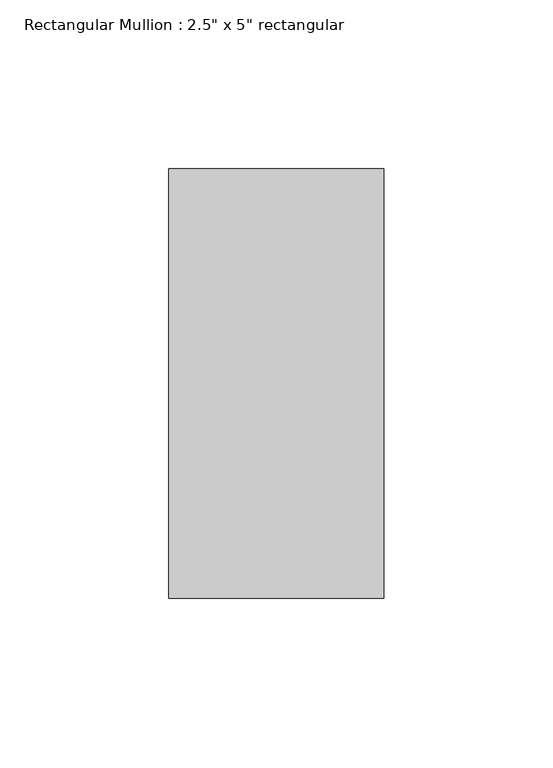
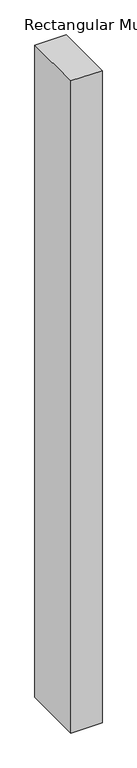
"""IFC4 building model written with IfcOpenShell, lengths in millimetres: member geometry."""

import ifcopenshell
import ifcopenshell.guid

model = None  # the IFC model being written
_history = None  # IfcOwnerHistory: only IFC2X3 demands one
_inside = {}  # id of a spatial element -> (the spatial element, [elements in it])
_under = {}  # id of a project, library or spatial element -> (it, [spatial elements below it])
_declared = {}  # id of a project -> (the project, [libraries it declares])
_typed = {}  # id of a type object -> (the type object, [elements of that type])
_made_of = {}  # id of a material, layer set ... -> (it, [elements and type objects made of it])


def new_model(schema):
    """Start an empty IFC model of exactly this schema.

    Asked for "IFC4X3", IfcOpenShell would pick the latest addendum, in which some entities
    have other attributes; the version numbers below select the first issue.
    IFC2X3 requires an IfcOwnerHistory on every rooted entity: one is made here for all.
    """
    global model, _history
    if schema == "IFC4X3":
        model = ifcopenshell.file(schema_version=(4, 3, 0, 0))
    else:
        model = ifcopenshell.file(schema=schema)
    _inside.clear()
    _under.clear()
    _declared.clear()
    _typed.clear()
    _made_of.clear()
    _history = None
    if model.schema == "IFC2X3":
        org = make("IfcOrganization", Name="unknown")
        user = make(
            "IfcPersonAndOrganization",
            ThePerson=make("IfcPerson", FamilyName="unknown"),
            TheOrganization=org,
        )
        app = make(
            "IfcApplication",
            ApplicationDeveloper=org,
            Version="unknown",
            ApplicationFullName="unknown",
            ApplicationIdentifier="unknown",
        )
        _history = make(
            "IfcOwnerHistory",
            OwningUser=user,
            OwningApplication=app,
            ChangeAction="ADDED",
            CreationDate=0,
        )
    return model


def make(cls, **values):
    """One entity of the class cls with the attributes given. An attribute that is None is left unset."""
    return model.create_entity(
        cls, **{name: value for name, value in values.items() if value is not None}
    )


def rooted(cls, **values):
    """An entity with a GlobalId (a new one), such as an element, a storey or a relation."""
    return make(cls, GlobalId=ifcopenshell.guid.new(), OwnerHistory=_history, **values)


def si_unit(unit_type, name, prefix=None):
    """IfcSIUnit, for example si_unit("LENGTHUNIT", "METRE", prefix="MILLI")."""
    return make("IfcSIUnit", UnitType=unit_type, Prefix=prefix, Name=name)


def assignment(units):
    """IfcUnitAssignment: the units of a project."""
    return None if units is None else make("IfcUnitAssignment", Units=units)


def point(xyz):
    """IfcCartesianPoint."""
    return None if xyz is None else make("IfcCartesianPoint", Coordinates=xyz)


def direction(xyz):
    """IfcDirection."""
    return None if xyz is None else make("IfcDirection", DirectionRatios=xyz)


def frame(location, z_axis=None, x_axis=None):
    """IfcAxis2Placement3D, a coordinate frame: its origin and axes. An axis left out is left unset."""
    return make(
        "IfcAxis2Placement3D",
        Location=point(location),
        Axis=direction(z_axis),
        RefDirection=direction(x_axis),
    )


def origin():
    """The frame at (0, 0, 0) with its axes left unset."""
    return frame((0.0, 0.0, 0.0))


def place(relative_to, where):
    """IfcLocalPlacement: puts the frame where relative to a parent placement (None: the world)."""
    return make(
        "IfcLocalPlacement", PlacementRelTo=relative_to, RelativePlacement=where
    )


def context(
    kind, dimensions, precision=None, world=None, true_north=None, identifier=None
):
    """IfcGeometricRepresentationContext, for example the 3D "Model" context."""
    return make(
        "IfcGeometricRepresentationContext",
        ContextIdentifier=identifier,
        ContextType=kind,
        CoordinateSpaceDimension=dimensions,
        Precision=precision,
        WorldCoordinateSystem=world,
        TrueNorth=true_north,
    )


def project(units=None, contexts=None):
    """IfcProject with its units and contexts."""
    return rooted(
        "IfcProject",
        Name="project",
        RepresentationContexts=contexts,
        UnitsInContext=assignment(units),
    )


def spatial(cls, under=None, at=None, **own):
    """A site, building, storey or space (cls), placed at a placement, below another one or the project."""
    s = rooted(cls, ObjectPlacement=at, **own)
    if under is not None:
        _under.setdefault(under.id(), (under, []))[1].append(s)
    return s


def polyline(points):
    """IfcPolyline through the points."""
    return make("IfcPolyline", Points=[point(p) for p in points])


def outline(outer, holes=None, kind="AREA"):
    """IfcArbitraryClosedProfileDef: a profile drawn as a closed curve; with holes, ...WithVoids."""
    if holes is None:
        return make("IfcArbitraryClosedProfileDef", ProfileType=kind, OuterCurve=outer)
    return make(
        "IfcArbitraryProfileDefWithVoids",
        ProfileType=kind,
        OuterCurve=outer,
        InnerCurves=holes,
    )


def extrude(swept, where, along, depth):
    """IfcExtrudedAreaSolid: the profile swept, set in the frame where, extruded along a direction by depth."""
    return make(
        "IfcExtrudedAreaSolid",
        SweptArea=swept,
        Position=where,
        ExtrudedDirection=direction(along),
        Depth=depth,
    )


def shape(context_of_items, identifier, shape_type, items):
    """IfcShapeRepresentation: the items that make up one representation, for example the "Body"."""
    return make(
        "IfcShapeRepresentation",
        ContextOfItems=context_of_items,
        RepresentationIdentifier=identifier,
        RepresentationType=shape_type,
        Items=items,
    )


def source(mapping_origin, context_of_items, identifier, shape_type, items):
    """IfcRepresentationMap: a shape defined once, which mapped items show again and again."""
    return make(
        "IfcRepresentationMap",
        MappingOrigin=mapping_origin,
        MappedRepresentation=shape(context_of_items, identifier, shape_type, items),
    )


def transform(
    local_origin,
    x_axis=None,
    y_axis=None,
    z_axis=None,
    scale=None,
    scale2=None,
    scale3=None,
    uniform=True,
):
    """IfcCartesianTransformationOperator3D, or its non-uniform kind. x_axis, y_axis, z_axis: its Axis1, 2, 3."""
    if uniform:
        return make(
            "IfcCartesianTransformationOperator3D",
            Axis1=direction(x_axis),
            Axis2=direction(y_axis),
            LocalOrigin=point(local_origin),
            Scale=scale,
            Axis3=direction(z_axis),
        )
    return make(
        "IfcCartesianTransformationOperator3DnonUniform",
        Axis1=direction(x_axis),
        Axis2=direction(y_axis),
        LocalOrigin=point(local_origin),
        Scale=scale,
        Axis3=direction(z_axis),
        Scale2=scale2,
        Scale3=scale3,
    )


def mapped(mapping_source, mapping_target):
    """IfcMappedItem: shows the shape of a source again, moved by a transform."""
    return make(
        "IfcMappedItem", MappingSource=mapping_source, MappingTarget=mapping_target
    )


def made_of(thing, what):
    """Note that an element or type object is made of a material, layer set ...; save() writes the relation."""
    if what is not None:
        _made_of.setdefault(what.id(), (what, []))[1].append(thing)
    return thing


def element(
    cls,
    number,
    at=None,
    inside=None,
    cuts=None,
    type_object=None,
    material=None,
    context=None,
    identifier="Body",
    shape_type=None,
    held_by="IfcProductDefinitionShape",
    body=None,
    shapes=None,
    **own,
):
    """One element of the class cls, such as IfcWall. Its Tag is "e" and its number.

    at: its placement. inside: the storey or other place that contains it. cuts: it is an
    opening in that element (IfcRelVoidsElement). A single representation is given by context,
    identifier, shape_type and body (its items); several are given by shapes. held_by: the class
    of the entity that holds the representations. save() writes the other relations.
    """
    e = rooted(cls, Tag="e%d" % number, ObjectPlacement=at, **own)
    if body is not None:
        shapes = [shape(context, identifier, shape_type, body)]
    if shapes is not None:
        e.Representation = make(held_by, Representations=shapes)
    if inside is not None:
        _inside.setdefault(inside.id(), (inside, []))[1].append(e)
    if cuts is not None:
        rooted(
            "IfcRelVoidsElement", RelatingBuildingElement=cuts, RelatedOpeningElement=e
        )
    if type_object is not None:
        _typed.setdefault(type_object.id(), (type_object, []))[1].append(e)
    return made_of(e, material)


def aggregate(whole, parts):
    """IfcRelAggregates: a whole, such as a stair, and the parts it consists of."""
    return rooted("IfcRelAggregates", RelatingObject=whole, RelatedObjects=parts)


def save(model, path):
    """Write the relations noted so far, then the file.

    IfcRelAggregates (storeys below a building ...), IfcRelContainedInSpatialStructure (elements
    in a storey), IfcRelDefinesByType, IfcRelAssociatesMaterial and IfcRelDeclares: one each for
    every whole, place, type object, material and project.
    """
    for whole, parts in _under.values():
        aggregate(whole, parts)
    for where, things in _inside.values():
        rooted(
            "IfcRelContainedInSpatialStructure",
            RelatedElements=things,
            RelatingStructure=where,
        )
    for kind, things in _typed.values():
        rooted("IfcRelDefinesByType", RelatedObjects=things, RelatingType=kind)
    for what, things in _made_of.values():
        rooted("IfcRelAssociatesMaterial", RelatedObjects=things, RelatingMaterial=what)
    for by, libraries in _declared.values():
        rooted("IfcRelDeclares", RelatingContext=by, RelatedDefinitions=libraries)
    model.write(path)


def member_2d7f35db(model_context):
    return source(origin(), model_context, "Body", "SweptSolid", [
        extrude(outline(polyline([(0.0, 63.5), (0.0, -63.5), (-63.5, -63.5), (-63.5, 63.5), (0.0, 63.5)])), frame((0.0, 0.0, -1404.9374999), z_axis=(0.0, 0.0, 1.0), x_axis=(1.0, 0.0, 0.0)), (0.0, 0.0, 1.0), 1404.9374999),
    ])


if __name__ == "__main__":
    model = new_model("IFC4")
    model_context = context("Model", 3, world=origin())
    ifc_project = project(units=[si_unit("LENGTHUNIT", "METRE", prefix="MILLI")], contexts=[model_context])
    site = spatial("IfcSite", under=ifc_project)
    building = spatial("IfcBuilding", under=site)
    placement = place(None, origin())
    member_shape = member_2d7f35db(model_context)
    element("IfcMember", 1, ObjectType="Rectangular Mullion : 2.5\" x 5\" rectangular", at=placement, inside=building, context=model_context, shape_type="MappedRepresentation", body=[
        mapped(member_shape, transform((0.0, 0.0, 0.0), x_axis=(1.0, 0.0, 0.0), y_axis=(0.0, 1.0, 0.0), z_axis=(0.0, 0.0, 1.0))),
    ])
    save(model, "model.ifc")
